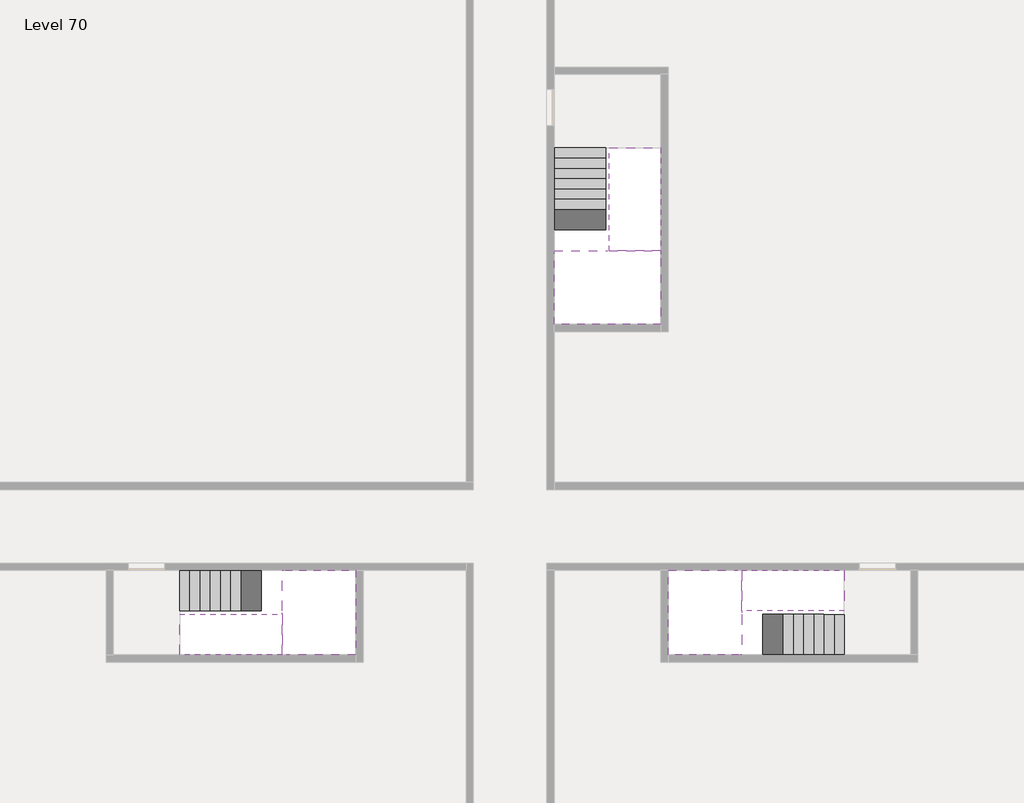
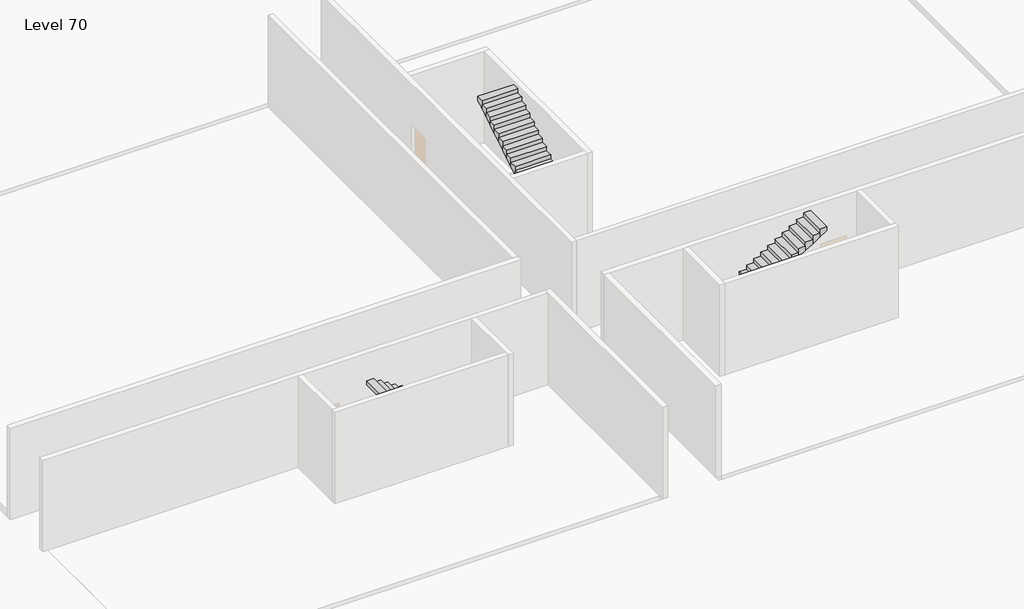
# One storey, part 2 of 2: 6 stair flights, 3 slabs.
"""IFC4 building model written with IfcOpenShell, lengths in millimetres."""

from ifc_helpers import new_model, si_unit, origin, place, context, project, spatial, faceted_brep, element, save

model = new_model("IFC4")

# Units and contexts
model_context = context("Model", 3, world=origin())
ifc_project = project(units=[si_unit("LENGTHUNIT", "METRE", prefix="MILLI")], contexts=[model_context])

# Site, building, storey
site = spatial("IfcSite", under=ifc_project)
building = spatial("IfcBuilding", under=site)
storey = spatial("IfcBuildingStorey", under=building, Name="Level 70", Elevation=262200.0)

# Slabs
placement = place(None, origin())
element("IfcSlab", 1, at=placement, inside=storey, context=model_context, shape_type="Brep", body=[
    faceted_brep([(26790.1058784, -34218.09644, 264100.0), (25390.1058784, -34218.09644, 264100.0), (25390.1058784, -34297.4828763, 264100.0), (25390.1058784, -36218.09644, 264100.0), (28290.1058784, -36218.09644, 264100.0), (28290.1058784, -34418.7100038, 264100.0), (28290.1058784, -34218.09644, 264100.0), (26890.1058784, -34218.09644, 264100.0), (26790.1058784, -34218.09644, 263800.0), (26790.1058784, -34218.09644, 263751.0278478), (25390.1058784, -34218.09644, 263751.0278478), (25390.1058784, -34218.09644, 263927.2727273), (25390.1058784, -34297.4828763, 263800.0), (25390.1058784, -36218.09644, 263800.0), (28290.1058784, -36218.09644, 263800.0), (28290.1058784, -34418.7100038, 263800.0), (28290.1058784, -34218.09644, 263923.7551205), (26890.1058784, -34218.09644, 263923.7551205), (26890.1058784, -34218.09644, 263800.0), (26890.1058784, -34418.7100038, 263800.0), (26790.1058784, -34297.4828763, 263800.0)], [[[0, 1, 2, 3, 4, 5, 6, 7]], [[1, 0, 8, 9, 10, 11]], [[1, 11, 10, 12, 13, 3, 2]], [[4, 3, 13, 14]], [[4, 14, 15, 16, 6, 5]], [[7, 6, 16, 17]], [[0, 7, 17, 18, 8]], [[18, 19, 15, 14, 13, 12, 20, 8]], [[19, 18, 17]], [[20, 12, 10, 9]], [[8, 20, 9]], [[15, 19, 17, 16]]]),
])
element("IfcSlab", 2, at=placement, inside=storey, context=model_context, shape_type="Brep", body=[
    faceted_brep([(30490.1058784, -45218.09644, 264100.0), (30490.1058784, -44118.09644, 264100.0), (30490.1058784, -44018.09644, 264100.0), (30490.1058784, -42918.09644, 264100.0), (30289.4923146, -42918.09644, 264100.0), (28490.1058784, -42918.09644, 264100.0), (28490.1058784, -45218.09644, 264100.0), (30410.7194421, -45218.09644, 264100.0), (30490.1058784, -45218.09644, 263927.2727273), (30490.1058784, -45218.09644, 263751.0278478), (30490.1058784, -44118.09644, 263751.0278478), (30490.1058784, -44118.09644, 263800.0), (30490.1058784, -44018.09644, 263800.0), (30490.1058784, -44018.09644, 263923.7551205), (30490.1058784, -42918.09644, 263923.7551205), (30289.4923146, -42918.09644, 263800.0), (28490.1058784, -42918.09644, 263800.0), (28490.1058784, -45218.09644, 263800.0), (30410.7194421, -45218.09644, 263800.0), (30289.4923146, -44018.09644, 263800.0), (30410.7194421, -44118.09644, 263800.0)], [[[0, 1, 2, 3, 4, 5, 6, 7]], [[1, 0, 8, 9, 10, 11]], [[2, 1, 11, 12, 13]], [[3, 2, 13, 14]], [[3, 14, 15, 16, 5, 4]], [[6, 5, 16, 17]], [[9, 8, 0, 7, 6, 17, 18]], [[19, 12, 11, 20, 18, 17, 16, 15]], [[12, 19, 13]], [[18, 20, 10, 9]], [[20, 11, 10]], [[19, 15, 14, 13]]]),
])
element("IfcSlab", 3, at=placement, inside=storey, context=model_context, shape_type="Brep", body=[
    faceted_brep([(17990.1058784, -42918.09644, 264100.0), (17990.1058784, -44018.09644, 264100.0), (17990.1058784, -44118.09644, 264100.0), (17990.1058784, -45218.09644, 264100.0), (18190.7194421, -45218.09644, 264100.0), (19990.1058784, -45218.09644, 264100.0), (19990.1058784, -42918.09644, 264100.0), (18069.4923146, -42918.09644, 264100.0), (17990.1058784, -42918.09644, 263927.2727273), (17990.1058784, -42918.09644, 263751.0278478), (17990.1058784, -44018.09644, 263751.0278478), (17990.1058784, -44018.09644, 263800.0), (17990.1058784, -44118.09644, 263800.0), (17990.1058784, -44118.09644, 263923.7551205), (17990.1058784, -45218.09644, 263923.7551205), (18190.7194421, -45218.09644, 263800.0), (19990.1058784, -45218.09644, 263800.0), (19990.1058784, -42918.09644, 263800.0), (18069.4923146, -42918.09644, 263800.0), (18190.7194421, -44118.09644, 263800.0), (18069.4923146, -44018.09644, 263800.0)], [[[0, 1, 2, 3, 4, 5, 6, 7]], [[1, 0, 8, 9, 10, 11]], [[2, 1, 11, 12, 13]], [[3, 2, 13, 14]], [[3, 14, 15, 16, 5, 4]], [[6, 5, 16, 17]], [[9, 8, 0, 7, 6, 17, 18]], [[19, 12, 11, 20, 18, 17, 16, 15]], [[12, 19, 13]], [[18, 20, 10, 9]], [[20, 11, 10]], [[19, 15, 14, 13]]]),
])

# Stair flights
element("IfcStairFlight", 4, at=placement, inside=storey, context=model_context, shape_type="Brep", body=[
    faceted_brep([(26790.1058784, -31698.09644, 262372.7272727), (26790.1058784, -31418.09644, 262372.7272727), (25390.1058784, -31418.09644, 262372.7272727), (25390.1058784, -31698.09644, 262372.7272727), (26790.1058784, -31698.09644, 262200.0), (26790.1058784, -31418.09644, 262200.0), (25390.1058784, -31418.09644, 262200.0), (25390.1058784, -31698.09644, 262200.0), (26790.1058784, -31978.09644, 262545.4545455), (26790.1058784, -31698.09644, 262545.4545455), (25390.1058784, -31698.09644, 262545.4545455), (25390.1058784, -31978.09644, 262545.4545455), (26790.1058784, -31978.09644, 262369.209666), (26790.1058784, -31703.7986657, 262200.0), (25390.1058784, -31703.7986657, 262200.0), (25390.1058784, -31978.09644, 262369.209666), (26790.1058784, -32258.09644, 262718.1818182), (26790.1058784, -31978.09644, 262718.1818182), (25390.1058784, -31978.09644, 262718.1818182), (25390.1058784, -32258.09644, 262718.1818182), (26790.1058784, -32258.09644, 262541.9369387), (25390.1058784, -32258.09644, 262541.9369387), (26790.1058784, -32538.09644, 262890.9090909), (26790.1058784, -32258.09644, 262890.9090909), (25390.1058784, -32258.09644, 262890.9090909), (25390.1058784, -32538.09644, 262890.9090909), (26790.1058784, -32538.09644, 262714.6642114), (25390.1058784, -32538.09644, 262714.6642114), (26790.1058784, -32818.09644, 263063.6363636), (26790.1058784, -32538.09644, 263063.6363636), (25390.1058784, -32538.09644, 263063.6363636), (25390.1058784, -32818.09644, 263063.6363636), (26790.1058784, -32818.09644, 262887.3914841), (25390.1058784, -32818.09644, 262887.3914841), (26790.1058784, -33098.09644, 263236.3636364), (26790.1058784, -32818.09644, 263236.3636364), (25390.1058784, -32818.09644, 263236.3636364), (25390.1058784, -33098.09644, 263236.3636364), (26790.1058784, -33098.09644, 263060.1187569), (25390.1058784, -33098.09644, 263060.1187569), (26790.1058784, -33378.09644, 263409.0909091), (26790.1058784, -33098.09644, 263409.0909091), (25390.1058784, -33098.09644, 263409.0909091), (25390.1058784, -33378.09644, 263409.0909091), (26790.1058784, -33378.09644, 263232.8460296), (25390.1058784, -33378.09644, 263232.8460296), (26790.1058784, -33658.09644, 263581.8181818), (26790.1058784, -33378.09644, 263581.8181818), (25390.1058784, -33378.09644, 263581.8181818), (25390.1058784, -33658.09644, 263581.8181818), (26790.1058784, -33658.09644, 263405.5733023), (25390.1058784, -33658.09644, 263405.5733023), (26790.1058784, -33938.09644, 263754.5454545), (26790.1058784, -33658.09644, 263754.5454545), (25390.1058784, -33658.09644, 263754.5454545), (25390.1058784, -33938.09644, 263754.5454545), (26790.1058784, -33938.09644, 263578.3005751), (25390.1058784, -33938.09644, 263578.3005751), (26790.1058784, -34218.09644, 263927.2727273), (26790.1058784, -33938.09644, 263927.2727273), (25390.1058784, -33938.09644, 263927.2727273), (25390.1058784, -34218.09644, 263927.2727273), (26790.1058784, -34218.09644, 263800.0), (26790.1058784, -34218.09644, 263751.0278478), (25390.1058784, -34218.09644, 263751.0278478)], [[[0, 1, 2, 3]], [[1, 0, 4, 5]], [[2, 1, 5, 6]], [[3, 2, 6, 7]], [[8, 9, 10, 11]], [[4, 0, 9, 8, 12, 13]], [[0, 3, 10, 9]], [[3, 7, 14, 15, 11, 10]], [[16, 17, 18, 19]], [[17, 16, 20, 12, 8]], [[8, 11, 18, 17]], [[19, 18, 11, 15, 21]], [[22, 23, 24, 25]], [[23, 22, 26, 20, 16]], [[16, 19, 24, 23]], [[25, 24, 19, 21, 27]], [[28, 29, 30, 31]], [[29, 28, 32, 26, 22]], [[22, 25, 30, 29]], [[31, 30, 25, 27, 33]], [[34, 35, 36, 37]], [[35, 34, 38, 32, 28]], [[28, 31, 36, 35]], [[37, 36, 31, 33, 39]], [[40, 41, 42, 43]], [[41, 40, 44, 38, 34]], [[34, 37, 42, 41]], [[43, 42, 37, 39, 45]], [[46, 47, 48, 49]], [[47, 46, 50, 44, 40]], [[40, 43, 48, 47]], [[49, 48, 43, 45, 51]], [[52, 53, 54, 55]], [[53, 52, 56, 50, 46]], [[46, 49, 54, 53]], [[55, 54, 49, 51, 57]], [[58, 59, 60, 61]], [[59, 58, 62, 63, 56, 52]], [[52, 55, 60, 59]], [[61, 60, 55, 57, 64]], [[58, 61, 64, 63, 62]], [[5, 4, 13, 14, 7, 6]], [[14, 13, 12, 20, 26, 32, 38, 44, 50, 56, 63, 64, 57, 51, 45, 39, 33, 27, 21, 15]]]),
])
element("IfcStairFlight", 5, at=placement, inside=storey, context=model_context, shape_type="Brep", body=[
    faceted_brep([(26890.1058784, -33938.09644, 264272.7272727), (26890.1058784, -34218.09644, 264272.7272727), (28290.1058784, -34218.09644, 264272.7272727), (28290.1058784, -33938.09644, 264272.7272727), (26890.1058784, -33938.09644, 264096.4823932), (26890.1058784, -34218.09644, 263923.7551205), (28290.1058784, -34218.09644, 263923.7551205), (28290.1058784, -34218.09644, 264100.0), (28290.1058784, -33938.09644, 264096.4823932), (26890.1058784, -33658.09644, 264445.4545455), (26890.1058784, -33938.09644, 264445.4545455), (28290.1058784, -33938.09644, 264445.4545455), (28290.1058784, -33658.09644, 264445.4545455), (26890.1058784, -33658.09644, 264269.209666), (28290.1058784, -33658.09644, 264269.209666), (26890.1058784, -33378.09644, 264618.1818182), (26890.1058784, -33658.09644, 264618.1818182), (28290.1058784, -33658.09644, 264618.1818182), (28290.1058784, -33378.09644, 264618.1818182), (26890.1058784, -33378.09644, 264441.9369387), (28290.1058784, -33378.09644, 264441.9369387), (26890.1058784, -33098.09644, 264790.9090909), (26890.1058784, -33378.09644, 264790.9090909), (28290.1058784, -33378.09644, 264790.9090909), (28290.1058784, -33098.09644, 264790.9090909), (26890.1058784, -33098.09644, 264614.6642114), (28290.1058784, -33098.09644, 264614.6642114), (26890.1058784, -32818.09644, 264963.6363636), (26890.1058784, -33098.09644, 264963.6363636), (28290.1058784, -33098.09644, 264963.6363636), (28290.1058784, -32818.09644, 264963.6363636), (26890.1058784, -32818.09644, 264787.3914841), (28290.1058784, -32818.09644, 264787.3914841), (26890.1058784, -32538.09644, 265136.3636364), (26890.1058784, -32818.09644, 265136.3636364), (28290.1058784, -32818.09644, 265136.3636364), (28290.1058784, -32538.09644, 265136.3636364), (26890.1058784, -32538.09644, 264960.1187569), (28290.1058784, -32538.09644, 264960.1187569), (26890.1058784, -32258.09644, 265309.0909091), (26890.1058784, -32538.09644, 265309.0909091), (28290.1058784, -32538.09644, 265309.0909091), (28290.1058784, -32258.09644, 265309.0909091), (26890.1058784, -32258.09644, 265132.8460296), (28290.1058784, -32258.09644, 265132.8460296), (26890.1058784, -31978.09644, 265481.8181818), (26890.1058784, -32258.09644, 265481.8181818), (28290.1058784, -32258.09644, 265481.8181818), (28290.1058784, -31978.09644, 265481.8181818), (26890.1058784, -31978.09644, 265305.5733023), (28290.1058784, -31978.09644, 265305.5733023), (26890.1058784, -31698.09644, 265654.5454545), (26890.1058784, -31978.09644, 265654.5454545), (28290.1058784, -31978.09644, 265654.5454545), (28290.1058784, -31698.09644, 265654.5454545), (26890.1058784, -31698.09644, 265478.3005751), (28290.1058784, -31698.09644, 265478.3005751), (26890.1058784, -31418.09644, 265827.2727273), (26890.1058784, -31698.09644, 265827.2727273), (28290.1058784, -31698.09644, 265827.2727273), (28290.1058784, -31418.09644, 265827.2727273), (26890.1058784, -31418.09644, 265651.0278478), (28290.1058784, -31418.09644, 265651.0278478)], [[[0, 1, 2, 3]], [[1, 0, 4, 5]], [[2, 1, 5, 6, 7]], [[3, 2, 7, 6, 8]], [[9, 10, 11, 12]], [[10, 9, 13, 4, 0]], [[11, 10, 0, 3]], [[12, 11, 3, 8, 14]], [[15, 16, 17, 18]], [[16, 15, 19, 13, 9]], [[17, 16, 9, 12]], [[18, 17, 12, 14, 20]], [[21, 22, 23, 24]], [[22, 21, 25, 19, 15]], [[23, 22, 15, 18]], [[24, 23, 18, 20, 26]], [[27, 28, 29, 30]], [[28, 27, 31, 25, 21]], [[29, 28, 21, 24]], [[30, 29, 24, 26, 32]], [[33, 34, 35, 36]], [[34, 33, 37, 31, 27]], [[35, 34, 27, 30]], [[36, 35, 30, 32, 38]], [[39, 40, 41, 42]], [[40, 39, 43, 37, 33]], [[41, 40, 33, 36]], [[42, 41, 36, 38, 44]], [[45, 46, 47, 48]], [[46, 45, 49, 43, 39]], [[47, 46, 39, 42]], [[48, 47, 42, 44, 50]], [[51, 52, 53, 54]], [[52, 51, 55, 49, 45]], [[53, 52, 45, 48]], [[54, 53, 48, 50, 56]], [[57, 58, 59, 60]], [[58, 57, 61, 55, 51]], [[59, 58, 51, 54]], [[60, 59, 54, 56, 62]], [[57, 60, 62, 61]], [[5, 4, 13, 19, 25, 31, 37, 43, 49, 55, 61, 62, 56, 50, 44, 38, 32, 26, 20, 14, 8, 6]]]),
])
element("IfcStairFlight", 6, at=placement, inside=storey, context=model_context, shape_type="Brep", body=[
    faceted_brep([(33010.1058784, -45218.09644, 262372.7272727), (33290.1058784, -45218.09644, 262372.7272727), (33290.1058784, -44118.09644, 262372.7272727), (33010.1058784, -44118.09644, 262372.7272727), (33010.1058784, -45218.09644, 262200.0), (33290.1058784, -45218.09644, 262200.0), (33290.1058784, -44118.09644, 262200.0), (33010.1058784, -44118.09644, 262200.0), (32730.1058784, -45218.09644, 262545.4545455), (33010.1058784, -45218.09644, 262545.4545455), (33010.1058784, -44118.09644, 262545.4545455), (32730.1058784, -44118.09644, 262545.4545455), (32730.1058784, -45218.09644, 262369.209666), (33004.4036527, -45218.09644, 262200.0), (33004.4036527, -44118.09644, 262200.0), (32730.1058784, -44118.09644, 262369.209666), (32450.1058784, -45218.09644, 262718.1818182), (32730.1058784, -45218.09644, 262718.1818182), (32730.1058784, -44118.09644, 262718.1818182), (32450.1058784, -44118.09644, 262718.1818182), (32450.1058784, -45218.09644, 262541.9369387), (32450.1058784, -44118.09644, 262541.9369387), (32170.1058784, -45218.09644, 262890.9090909), (32450.1058784, -45218.09644, 262890.9090909), (32450.1058784, -44118.09644, 262890.9090909), (32170.1058784, -44118.09644, 262890.9090909), (32170.1058784, -45218.09644, 262714.6642114), (32170.1058784, -44118.09644, 262714.6642114), (31890.1058784, -45218.09644, 263063.6363636), (32170.1058784, -45218.09644, 263063.6363636), (32170.1058784, -44118.09644, 263063.6363636), (31890.1058784, -44118.09644, 263063.6363636), (31890.1058784, -45218.09644, 262887.3914841), (31890.1058784, -44118.09644, 262887.3914841), (31610.1058784, -45218.09644, 263236.3636364), (31890.1058784, -45218.09644, 263236.3636364), (31890.1058784, -44118.09644, 263236.3636364), (31610.1058784, -44118.09644, 263236.3636364), (31610.1058784, -45218.09644, 263060.1187569), (31610.1058784, -44118.09644, 263060.1187569), (31330.1058784, -45218.09644, 263409.0909091), (31610.1058784, -45218.09644, 263409.0909091), (31610.1058784, -44118.09644, 263409.0909091), (31330.1058784, -44118.09644, 263409.0909091), (31330.1058784, -45218.09644, 263232.8460296), (31330.1058784, -44118.09644, 263232.8460296), (31050.1058784, -45218.09644, 263581.8181818), (31330.1058784, -45218.09644, 263581.8181818), (31330.1058784, -44118.09644, 263581.8181818), (31050.1058784, -44118.09644, 263581.8181818), (31050.1058784, -45218.09644, 263405.5733023), (31050.1058784, -44118.09644, 263405.5733023), (30770.1058784, -45218.09644, 263754.5454545), (31050.1058784, -45218.09644, 263754.5454545), (31050.1058784, -44118.09644, 263754.5454545), (30770.1058784, -44118.09644, 263754.5454545), (30770.1058784, -45218.09644, 263578.3005751), (30770.1058784, -44118.09644, 263578.3005751), (30490.1058784, -45218.09644, 263927.2727273), (30770.1058784, -45218.09644, 263927.2727273), (30770.1058784, -44118.09644, 263927.2727273), (30490.1058784, -44118.09644, 263927.2727273), (30490.1058784, -45218.09644, 263751.0278478), (30490.1058784, -44118.09644, 263751.0278478), (30490.1058784, -44118.09644, 263800.0)], [[[0, 1, 2, 3]], [[1, 0, 4, 5]], [[2, 1, 5, 6]], [[3, 2, 6, 7]], [[8, 9, 10, 11]], [[4, 0, 9, 8, 12, 13]], [[0, 3, 10, 9]], [[3, 7, 14, 15, 11, 10]], [[16, 17, 18, 19]], [[17, 16, 20, 12, 8]], [[8, 11, 18, 17]], [[19, 18, 11, 15, 21]], [[22, 23, 24, 25]], [[23, 22, 26, 20, 16]], [[16, 19, 24, 23]], [[25, 24, 19, 21, 27]], [[28, 29, 30, 31]], [[29, 28, 32, 26, 22]], [[22, 25, 30, 29]], [[31, 30, 25, 27, 33]], [[34, 35, 36, 37]], [[35, 34, 38, 32, 28]], [[28, 31, 36, 35]], [[37, 36, 31, 33, 39]], [[40, 41, 42, 43]], [[41, 40, 44, 38, 34]], [[34, 37, 42, 41]], [[43, 42, 37, 39, 45]], [[46, 47, 48, 49]], [[47, 46, 50, 44, 40]], [[40, 43, 48, 47]], [[49, 48, 43, 45, 51]], [[52, 53, 54, 55]], [[53, 52, 56, 50, 46]], [[46, 49, 54, 53]], [[55, 54, 49, 51, 57]], [[58, 59, 60, 61]], [[59, 58, 62, 56, 52]], [[52, 55, 60, 59]], [[61, 60, 55, 57, 63, 64]], [[58, 61, 64, 63, 62]], [[5, 4, 13, 14, 7, 6]], [[14, 13, 12, 20, 26, 32, 38, 44, 50, 56, 62, 63, 57, 51, 45, 39, 33, 27, 21, 15]]]),
])
element("IfcStairFlight", 7, at=placement, inside=storey, context=model_context, shape_type="Brep", body=[
    faceted_brep([(30770.1058784, -42918.09644, 264272.7272727), (30490.1058784, -42918.09644, 264272.7272727), (30490.1058784, -44018.09644, 264272.7272727), (30770.1058784, -44018.09644, 264272.7272727), (30770.1058784, -42918.09644, 264096.4823932), (30490.1058784, -42918.09644, 263923.7551205), (30490.1058784, -42918.09644, 264100.0), (30490.1058784, -44018.09644, 263923.7551205), (30770.1058784, -44018.09644, 264096.4823932), (31050.1058784, -42918.09644, 264445.4545455), (30770.1058784, -42918.09644, 264445.4545455), (30770.1058784, -44018.09644, 264445.4545455), (31050.1058784, -44018.09644, 264445.4545455), (31050.1058784, -42918.09644, 264269.209666), (31050.1058784, -44018.09644, 264269.209666), (31330.1058784, -42918.09644, 264618.1818182), (31050.1058784, -42918.09644, 264618.1818182), (31050.1058784, -44018.09644, 264618.1818182), (31330.1058784, -44018.09644, 264618.1818182), (31330.1058784, -42918.09644, 264441.9369387), (31330.1058784, -44018.09644, 264441.9369387), (31610.1058784, -42918.09644, 264790.9090909), (31330.1058784, -42918.09644, 264790.9090909), (31330.1058784, -44018.09644, 264790.9090909), (31610.1058784, -44018.09644, 264790.9090909), (31610.1058784, -42918.09644, 264614.6642114), (31610.1058784, -44018.09644, 264614.6642114), (31890.1058784, -42918.09644, 264963.6363636), (31610.1058784, -42918.09644, 264963.6363636), (31610.1058784, -44018.09644, 264963.6363636), (31890.1058784, -44018.09644, 264963.6363636), (31890.1058784, -42918.09644, 264787.3914841), (31890.1058784, -44018.09644, 264787.3914841), (32170.1058784, -42918.09644, 265136.3636364), (31890.1058784, -42918.09644, 265136.3636364), (31890.1058784, -44018.09644, 265136.3636364), (32170.1058784, -44018.09644, 265136.3636364), (32170.1058784, -42918.09644, 264960.1187569), (32170.1058784, -44018.09644, 264960.1187569), (32450.1058784, -42918.09644, 265309.0909091), (32170.1058784, -42918.09644, 265309.0909091), (32170.1058784, -44018.09644, 265309.0909091), (32450.1058784, -44018.09644, 265309.0909091), (32450.1058784, -42918.09644, 265132.8460296), (32450.1058784, -44018.09644, 265132.8460296), (32730.1058784, -42918.09644, 265481.8181818), (32450.1058784, -42918.09644, 265481.8181818), (32450.1058784, -44018.09644, 265481.8181818), (32730.1058784, -44018.09644, 265481.8181818), (32730.1058784, -42918.09644, 265305.5733023), (32730.1058784, -44018.09644, 265305.5733023), (33010.1058784, -42918.09644, 265654.5454545), (32730.1058784, -42918.09644, 265654.5454545), (32730.1058784, -44018.09644, 265654.5454545), (33010.1058784, -44018.09644, 265654.5454545), (33010.1058784, -42918.09644, 265478.3005751), (33010.1058784, -44018.09644, 265478.3005751), (33290.1058784, -42918.09644, 265827.2727273), (33010.1058784, -42918.09644, 265827.2727273), (33010.1058784, -44018.09644, 265827.2727273), (33290.1058784, -44018.09644, 265827.2727273), (33290.1058784, -42918.09644, 265651.0278478), (33290.1058784, -44018.09644, 265651.0278478)], [[[0, 1, 2, 3]], [[1, 0, 4, 5, 6]], [[2, 1, 6, 5, 7]], [[3, 2, 7, 8]], [[9, 10, 11, 12]], [[10, 9, 13, 4, 0]], [[11, 10, 0, 3]], [[12, 11, 3, 8, 14]], [[15, 16, 17, 18]], [[16, 15, 19, 13, 9]], [[17, 16, 9, 12]], [[18, 17, 12, 14, 20]], [[21, 22, 23, 24]], [[22, 21, 25, 19, 15]], [[23, 22, 15, 18]], [[24, 23, 18, 20, 26]], [[27, 28, 29, 30]], [[28, 27, 31, 25, 21]], [[29, 28, 21, 24]], [[30, 29, 24, 26, 32]], [[33, 34, 35, 36]], [[34, 33, 37, 31, 27]], [[35, 34, 27, 30]], [[36, 35, 30, 32, 38]], [[39, 40, 41, 42]], [[40, 39, 43, 37, 33]], [[41, 40, 33, 36]], [[42, 41, 36, 38, 44]], [[45, 46, 47, 48]], [[46, 45, 49, 43, 39]], [[47, 46, 39, 42]], [[48, 47, 42, 44, 50]], [[51, 52, 53, 54]], [[52, 51, 55, 49, 45]], [[53, 52, 45, 48]], [[54, 53, 48, 50, 56]], [[57, 58, 59, 60]], [[58, 57, 61, 55, 51]], [[59, 58, 51, 54]], [[60, 59, 54, 56, 62]], [[57, 60, 62, 61]], [[5, 4, 13, 19, 25, 31, 37, 43, 49, 55, 61, 62, 56, 50, 44, 38, 32, 26, 20, 14, 8, 7]]]),
])
element("IfcStairFlight", 8, at=placement, inside=storey, context=model_context, shape_type="Brep", body=[
    faceted_brep([(15470.1058784, -42918.09644, 262372.7272727), (15190.1058784, -42918.09644, 262372.7272727), (15190.1058784, -44018.09644, 262372.7272727), (15470.1058784, -44018.09644, 262372.7272727), (15470.1058784, -42918.09644, 262200.0), (15190.1058784, -42918.09644, 262200.0), (15190.1058784, -44018.09644, 262200.0), (15470.1058784, -44018.09644, 262200.0), (15750.1058784, -42918.09644, 262545.4545455), (15470.1058784, -42918.09644, 262545.4545455), (15470.1058784, -44018.09644, 262545.4545455), (15750.1058784, -44018.09644, 262545.4545455), (15750.1058784, -42918.09644, 262369.209666), (15475.8081041, -42918.09644, 262200.0), (15475.8081041, -44018.09644, 262200.0), (15750.1058784, -44018.09644, 262369.209666), (16030.1058784, -42918.09644, 262718.1818182), (15750.1058784, -42918.09644, 262718.1818182), (15750.1058784, -44018.09644, 262718.1818182), (16030.1058784, -44018.09644, 262718.1818182), (16030.1058784, -42918.09644, 262541.9369387), (16030.1058784, -44018.09644, 262541.9369387), (16310.1058784, -42918.09644, 262890.9090909), (16030.1058784, -42918.09644, 262890.9090909), (16030.1058784, -44018.09644, 262890.9090909), (16310.1058784, -44018.09644, 262890.9090909), (16310.1058784, -42918.09644, 262714.6642114), (16310.1058784, -44018.09644, 262714.6642114), (16590.1058784, -42918.09644, 263063.6363636), (16310.1058784, -42918.09644, 263063.6363636), (16310.1058784, -44018.09644, 263063.6363636), (16590.1058784, -44018.09644, 263063.6363636), (16590.1058784, -42918.09644, 262887.3914841), (16590.1058784, -44018.09644, 262887.3914841), (16870.1058784, -42918.09644, 263236.3636364), (16590.1058784, -42918.09644, 263236.3636364), (16590.1058784, -44018.09644, 263236.3636364), (16870.1058784, -44018.09644, 263236.3636364), (16870.1058784, -42918.09644, 263060.1187569), (16870.1058784, -44018.09644, 263060.1187569), (17150.1058784, -42918.09644, 263409.0909091), (16870.1058784, -42918.09644, 263409.0909091), (16870.1058784, -44018.09644, 263409.0909091), (17150.1058784, -44018.09644, 263409.0909091), (17150.1058784, -42918.09644, 263232.8460296), (17150.1058784, -44018.09644, 263232.8460296), (17430.1058784, -42918.09644, 263581.8181818), (17150.1058784, -42918.09644, 263581.8181818), (17150.1058784, -44018.09644, 263581.8181818), (17430.1058784, -44018.09644, 263581.8181818), (17430.1058784, -42918.09644, 263405.5733023), (17430.1058784, -44018.09644, 263405.5733023), (17710.1058784, -42918.09644, 263754.5454545), (17430.1058784, -42918.09644, 263754.5454545), (17430.1058784, -44018.09644, 263754.5454545), (17710.1058784, -44018.09644, 263754.5454545), (17710.1058784, -42918.09644, 263578.3005751), (17710.1058784, -44018.09644, 263578.3005751), (17990.1058784, -42918.09644, 263927.2727273), (17710.1058784, -42918.09644, 263927.2727273), (17710.1058784, -44018.09644, 263927.2727273), (17990.1058784, -44018.09644, 263927.2727273), (17990.1058784, -42918.09644, 263751.0278478), (17990.1058784, -44018.09644, 263751.0278478), (17990.1058784, -44018.09644, 263800.0)], [[[0, 1, 2, 3]], [[1, 0, 4, 5]], [[2, 1, 5, 6]], [[3, 2, 6, 7]], [[8, 9, 10, 11]], [[4, 0, 9, 8, 12, 13]], [[0, 3, 10, 9]], [[3, 7, 14, 15, 11, 10]], [[16, 17, 18, 19]], [[17, 16, 20, 12, 8]], [[8, 11, 18, 17]], [[19, 18, 11, 15, 21]], [[22, 23, 24, 25]], [[23, 22, 26, 20, 16]], [[16, 19, 24, 23]], [[25, 24, 19, 21, 27]], [[28, 29, 30, 31]], [[29, 28, 32, 26, 22]], [[22, 25, 30, 29]], [[31, 30, 25, 27, 33]], [[34, 35, 36, 37]], [[35, 34, 38, 32, 28]], [[28, 31, 36, 35]], [[37, 36, 31, 33, 39]], [[40, 41, 42, 43]], [[41, 40, 44, 38, 34]], [[34, 37, 42, 41]], [[43, 42, 37, 39, 45]], [[46, 47, 48, 49]], [[47, 46, 50, 44, 40]], [[40, 43, 48, 47]], [[49, 48, 43, 45, 51]], [[52, 53, 54, 55]], [[53, 52, 56, 50, 46]], [[46, 49, 54, 53]], [[55, 54, 49, 51, 57]], [[58, 59, 60, 61]], [[59, 58, 62, 56, 52]], [[52, 55, 60, 59]], [[61, 60, 55, 57, 63, 64]], [[58, 61, 64, 63, 62]], [[5, 4, 13, 14, 7, 6]], [[14, 13, 12, 20, 26, 32, 38, 44, 50, 56, 62, 63, 57, 51, 45, 39, 33, 27, 21, 15]]]),
])
element("IfcStairFlight", 9, at=placement, inside=storey, context=model_context, shape_type="Brep", body=[
    faceted_brep([(17710.1058784, -45218.09644, 264272.7272727), (17990.1058784, -45218.09644, 264272.7272727), (17990.1058784, -44118.09644, 264272.7272727), (17710.1058784, -44118.09644, 264272.7272727), (17710.1058784, -45218.09644, 264096.4823932), (17990.1058784, -45218.09644, 263923.7551205), (17990.1058784, -45218.09644, 264100.0), (17990.1058784, -44118.09644, 263923.7551205), (17710.1058784, -44118.09644, 264096.4823932), (17430.1058784, -45218.09644, 264445.4545455), (17710.1058784, -45218.09644, 264445.4545455), (17710.1058784, -44118.09644, 264445.4545455), (17430.1058784, -44118.09644, 264445.4545455), (17430.1058784, -45218.09644, 264269.209666), (17430.1058784, -44118.09644, 264269.209666), (17150.1058784, -45218.09644, 264618.1818182), (17430.1058784, -45218.09644, 264618.1818182), (17430.1058784, -44118.09644, 264618.1818182), (17150.1058784, -44118.09644, 264618.1818182), (17150.1058784, -45218.09644, 264441.9369387), (17150.1058784, -44118.09644, 264441.9369387), (16870.1058784, -45218.09644, 264790.9090909), (17150.1058784, -45218.09644, 264790.9090909), (17150.1058784, -44118.09644, 264790.9090909), (16870.1058784, -44118.09644, 264790.9090909), (16870.1058784, -45218.09644, 264614.6642114), (16870.1058784, -44118.09644, 264614.6642114), (16590.1058784, -45218.09644, 264963.6363636), (16870.1058784, -45218.09644, 264963.6363636), (16870.1058784, -44118.09644, 264963.6363636), (16590.1058784, -44118.09644, 264963.6363636), (16590.1058784, -45218.09644, 264787.3914841), (16590.1058784, -44118.09644, 264787.3914841), (16310.1058784, -45218.09644, 265136.3636364), (16590.1058784, -45218.09644, 265136.3636364), (16590.1058784, -44118.09644, 265136.3636364), (16310.1058784, -44118.09644, 265136.3636364), (16310.1058784, -45218.09644, 264960.1187569), (16310.1058784, -44118.09644, 264960.1187569), (16030.1058784, -45218.09644, 265309.0909091), (16310.1058784, -45218.09644, 265309.0909091), (16310.1058784, -44118.09644, 265309.0909091), (16030.1058784, -44118.09644, 265309.0909091), (16030.1058784, -45218.09644, 265132.8460296), (16030.1058784, -44118.09644, 265132.8460296), (15750.1058784, -45218.09644, 265481.8181818), (16030.1058784, -45218.09644, 265481.8181818), (16030.1058784, -44118.09644, 265481.8181818), (15750.1058784, -44118.09644, 265481.8181818), (15750.1058784, -45218.09644, 265305.5733023), (15750.1058784, -44118.09644, 265305.5733023), (15470.1058784, -45218.09644, 265654.5454545), (15750.1058784, -45218.09644, 265654.5454545), (15750.1058784, -44118.09644, 265654.5454545), (15470.1058784, -44118.09644, 265654.5454545), (15470.1058784, -45218.09644, 265478.3005751), (15470.1058784, -44118.09644, 265478.3005751), (15190.1058784, -45218.09644, 265827.2727273), (15470.1058784, -45218.09644, 265827.2727273), (15470.1058784, -44118.09644, 265827.2727273), (15190.1058784, -44118.09644, 265827.2727273), (15190.1058784, -45218.09644, 265651.0278478), (15190.1058784, -44118.09644, 265651.0278478)], [[[0, 1, 2, 3]], [[1, 0, 4, 5, 6]], [[2, 1, 6, 5, 7]], [[3, 2, 7, 8]], [[9, 10, 11, 12]], [[10, 9, 13, 4, 0]], [[11, 10, 0, 3]], [[12, 11, 3, 8, 14]], [[15, 16, 17, 18]], [[16, 15, 19, 13, 9]], [[17, 16, 9, 12]], [[18, 17, 12, 14, 20]], [[21, 22, 23, 24]], [[22, 21, 25, 19, 15]], [[23, 22, 15, 18]], [[24, 23, 18, 20, 26]], [[27, 28, 29, 30]], [[28, 27, 31, 25, 21]], [[29, 28, 21, 24]], [[30, 29, 24, 26, 32]], [[33, 34, 35, 36]], [[34, 33, 37, 31, 27]], [[35, 34, 27, 30]], [[36, 35, 30, 32, 38]], [[39, 40, 41, 42]], [[40, 39, 43, 37, 33]], [[41, 40, 33, 36]], [[42, 41, 36, 38, 44]], [[45, 46, 47, 48]], [[46, 45, 49, 43, 39]], [[47, 46, 39, 42]], [[48, 47, 42, 44, 50]], [[51, 52, 53, 54]], [[52, 51, 55, 49, 45]], [[53, 52, 45, 48]], [[54, 53, 48, 50, 56]], [[57, 58, 59, 60]], [[58, 57, 61, 55, 51]], [[59, 58, 51, 54]], [[60, 59, 54, 56, 62]], [[57, 60, 62, 61]], [[5, 4, 13, 19, 25, 31, 37, 43, 49, 55, 61, 62, 56, 50, 44, 38, 32, 26, 20, 14, 8, 7]]]),
])

save(model, "model.ifc")
